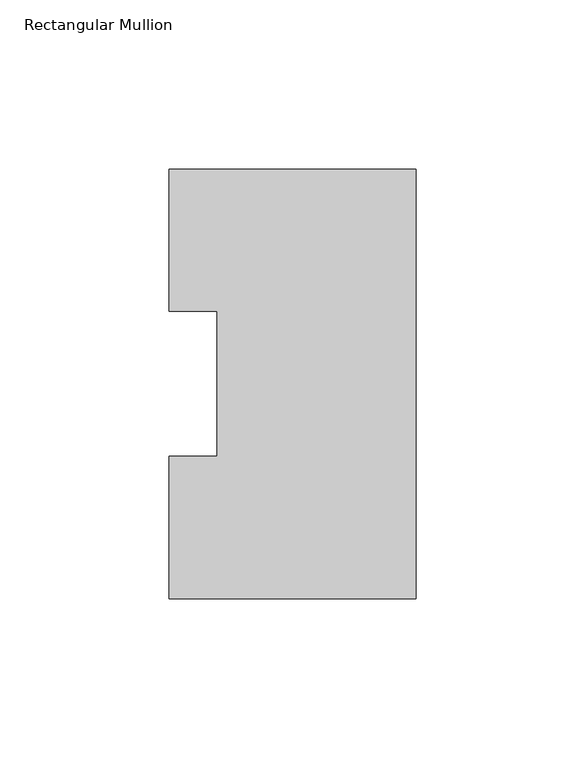
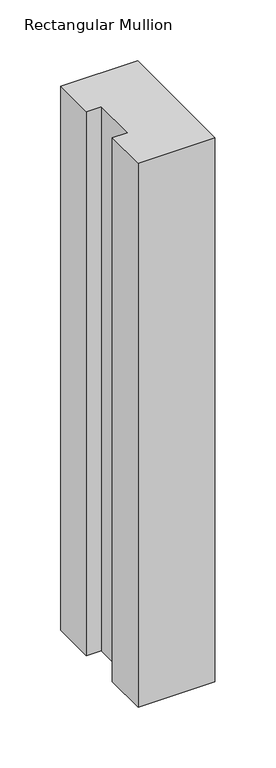
"""IFC4 building model written with IfcOpenShell, lengths in millimetres: member geometry, Rectangular Mullion."""

import ifcopenshell
import ifcopenshell.guid

model = None  # the IFC model being written
_history = None  # IfcOwnerHistory: only IFC2X3 demands one
_inside = {}  # id of a spatial element -> (the spatial element, [elements in it])
_under = {}  # id of a project, library or spatial element -> (it, [spatial elements below it])
_declared = {}  # id of a project -> (the project, [libraries it declares])
_typed = {}  # id of a type object -> (the type object, [elements of that type])
_made_of = {}  # id of a material, layer set ... -> (it, [elements and type objects made of it])


def new_model(schema):
    """Start an empty IFC model of exactly this schema.

    Asked for "IFC4X3", IfcOpenShell would pick the latest addendum, in which some entities
    have other attributes; the version numbers below select the first issue.
    IFC2X3 requires an IfcOwnerHistory on every rooted entity: one is made here for all.
    """
    global model, _history
    if schema == "IFC4X3":
        model = ifcopenshell.file(schema_version=(4, 3, 0, 0))
    else:
        model = ifcopenshell.file(schema=schema)
    _inside.clear()
    _under.clear()
    _declared.clear()
    _typed.clear()
    _made_of.clear()
    _history = None
    if model.schema == "IFC2X3":
        org = make("IfcOrganization", Name="unknown")
        user = make(
            "IfcPersonAndOrganization",
            ThePerson=make("IfcPerson", FamilyName="unknown"),
            TheOrganization=org,
        )
        app = make(
            "IfcApplication",
            ApplicationDeveloper=org,
            Version="unknown",
            ApplicationFullName="unknown",
            ApplicationIdentifier="unknown",
        )
        _history = make(
            "IfcOwnerHistory",
            OwningUser=user,
            OwningApplication=app,
            ChangeAction="ADDED",
            CreationDate=0,
        )
    return model


def make(cls, **values):
    """One entity of the class cls with the attributes given. An attribute that is None is left unset."""
    return model.create_entity(
        cls, **{name: value for name, value in values.items() if value is not None}
    )


def rooted(cls, **values):
    """An entity with a GlobalId (a new one), such as an element, a storey or a relation."""
    return make(cls, GlobalId=ifcopenshell.guid.new(), OwnerHistory=_history, **values)


def si_unit(unit_type, name, prefix=None):
    """IfcSIUnit, for example si_unit("LENGTHUNIT", "METRE", prefix="MILLI")."""
    return make("IfcSIUnit", UnitType=unit_type, Prefix=prefix, Name=name)


def assignment(units):
    """IfcUnitAssignment: the units of a project."""
    return None if units is None else make("IfcUnitAssignment", Units=units)


def point(xyz):
    """IfcCartesianPoint."""
    return None if xyz is None else make("IfcCartesianPoint", Coordinates=xyz)


def direction(xyz):
    """IfcDirection."""
    return None if xyz is None else make("IfcDirection", DirectionRatios=xyz)


def frame(location, z_axis=None, x_axis=None):
    """IfcAxis2Placement3D, a coordinate frame: its origin and axes. An axis left out is left unset."""
    return make(
        "IfcAxis2Placement3D",
        Location=point(location),
        Axis=direction(z_axis),
        RefDirection=direction(x_axis),
    )


def origin():
    """The frame at (0, 0, 0) with its axes left unset."""
    return frame((0.0, 0.0, 0.0))


def place(relative_to, where):
    """IfcLocalPlacement: puts the frame where relative to a parent placement (None: the world)."""
    return make(
        "IfcLocalPlacement", PlacementRelTo=relative_to, RelativePlacement=where
    )


def context(
    kind, dimensions, precision=None, world=None, true_north=None, identifier=None
):
    """IfcGeometricRepresentationContext, for example the 3D "Model" context."""
    return make(
        "IfcGeometricRepresentationContext",
        ContextIdentifier=identifier,
        ContextType=kind,
        CoordinateSpaceDimension=dimensions,
        Precision=precision,
        WorldCoordinateSystem=world,
        TrueNorth=true_north,
    )


def project(units=None, contexts=None):
    """IfcProject with its units and contexts."""
    return rooted(
        "IfcProject",
        Name="project",
        RepresentationContexts=contexts,
        UnitsInContext=assignment(units),
    )


def spatial(cls, under=None, at=None, **own):
    """A site, building, storey or space (cls), placed at a placement, below another one or the project."""
    s = rooted(cls, ObjectPlacement=at, **own)
    if under is not None:
        _under.setdefault(under.id(), (under, []))[1].append(s)
    return s


def polyline(points):
    """IfcPolyline through the points."""
    return make("IfcPolyline", Points=[point(p) for p in points])


def outline(outer, holes=None, kind="AREA"):
    """IfcArbitraryClosedProfileDef: a profile drawn as a closed curve; with holes, ...WithVoids."""
    if holes is None:
        return make("IfcArbitraryClosedProfileDef", ProfileType=kind, OuterCurve=outer)
    return make(
        "IfcArbitraryProfileDefWithVoids",
        ProfileType=kind,
        OuterCurve=outer,
        InnerCurves=holes,
    )


def extrude(swept, where, along, depth):
    """IfcExtrudedAreaSolid: the profile swept, set in the frame where, extruded along a direction by depth."""
    return make(
        "IfcExtrudedAreaSolid",
        SweptArea=swept,
        Position=where,
        ExtrudedDirection=direction(along),
        Depth=depth,
    )


def shape(context_of_items, identifier, shape_type, items):
    """IfcShapeRepresentation: the items that make up one representation, for example the "Body"."""
    return make(
        "IfcShapeRepresentation",
        ContextOfItems=context_of_items,
        RepresentationIdentifier=identifier,
        RepresentationType=shape_type,
        Items=items,
    )


def source(mapping_origin, context_of_items, identifier, shape_type, items):
    """IfcRepresentationMap: a shape defined once, which mapped items show again and again."""
    return make(
        "IfcRepresentationMap",
        MappingOrigin=mapping_origin,
        MappedRepresentation=shape(context_of_items, identifier, shape_type, items),
    )


def transform(
    local_origin,
    x_axis=None,
    y_axis=None,
    z_axis=None,
    scale=None,
    scale2=None,
    scale3=None,
    uniform=True,
):
    """IfcCartesianTransformationOperator3D, or its non-uniform kind. x_axis, y_axis, z_axis: its Axis1, 2, 3."""
    if uniform:
        return make(
            "IfcCartesianTransformationOperator3D",
            Axis1=direction(x_axis),
            Axis2=direction(y_axis),
            LocalOrigin=point(local_origin),
            Scale=scale,
            Axis3=direction(z_axis),
        )
    return make(
        "IfcCartesianTransformationOperator3DnonUniform",
        Axis1=direction(x_axis),
        Axis2=direction(y_axis),
        LocalOrigin=point(local_origin),
        Scale=scale,
        Axis3=direction(z_axis),
        Scale2=scale2,
        Scale3=scale3,
    )


def mapped(mapping_source, mapping_target):
    """IfcMappedItem: shows the shape of a source again, moved by a transform."""
    return make(
        "IfcMappedItem", MappingSource=mapping_source, MappingTarget=mapping_target
    )


def made_of(thing, what):
    """Note that an element or type object is made of a material, layer set ...; save() writes the relation."""
    if what is not None:
        _made_of.setdefault(what.id(), (what, []))[1].append(thing)
    return thing


def element(
    cls,
    number,
    at=None,
    inside=None,
    cuts=None,
    type_object=None,
    material=None,
    context=None,
    identifier="Body",
    shape_type=None,
    held_by="IfcProductDefinitionShape",
    body=None,
    shapes=None,
    **own,
):
    """One element of the class cls, such as IfcWall. Its Tag is "e" and its number.

    at: its placement. inside: the storey or other place that contains it. cuts: it is an
    opening in that element (IfcRelVoidsElement). A single representation is given by context,
    identifier, shape_type and body (its items); several are given by shapes. held_by: the class
    of the entity that holds the representations. save() writes the other relations.
    """
    e = rooted(cls, Tag="e%d" % number, ObjectPlacement=at, **own)
    if body is not None:
        shapes = [shape(context, identifier, shape_type, body)]
    if shapes is not None:
        e.Representation = make(held_by, Representations=shapes)
    if inside is not None:
        _inside.setdefault(inside.id(), (inside, []))[1].append(e)
    if cuts is not None:
        rooted(
            "IfcRelVoidsElement", RelatingBuildingElement=cuts, RelatedOpeningElement=e
        )
    if type_object is not None:
        _typed.setdefault(type_object.id(), (type_object, []))[1].append(e)
    return made_of(e, material)


def aggregate(whole, parts):
    """IfcRelAggregates: a whole, such as a stair, and the parts it consists of."""
    return rooted("IfcRelAggregates", RelatingObject=whole, RelatedObjects=parts)


def save(model, path):
    """Write the relations noted so far, then the file.

    IfcRelAggregates (storeys below a building ...), IfcRelContainedInSpatialStructure (elements
    in a storey), IfcRelDefinesByType, IfcRelAssociatesMaterial and IfcRelDeclares: one each for
    every whole, place, type object, material and project.
    """
    for whole, parts in _under.values():
        aggregate(whole, parts)
    for where, things in _inside.values():
        rooted(
            "IfcRelContainedInSpatialStructure",
            RelatedElements=things,
            RelatingStructure=where,
        )
    for kind, things in _typed.values():
        rooted("IfcRelDefinesByType", RelatedObjects=things, RelatingType=kind)
    for what, things in _made_of.values():
        rooted("IfcRelAssociatesMaterial", RelatedObjects=things, RelatingMaterial=what)
    for by, libraries in _declared.values():
        rooted("IfcRelDeclares", RelatingContext=by, RelatedDefinitions=libraries)
    model.write(path)


def rectangular_mullion_9d581a24(model_context):
    return source(origin(), model_context, "Body", "SweptSolid", [
        extrude(outline(polyline([(0.0, 127.00635), (0.0, 0.00635), (-73.025, 0.00635), (-73.025, 42.08145), (-58.7375, 42.08145), (-58.7375, 84.93125), (-73.025, 84.93125), (-73.025, 127.00635), (0.0, 127.00635)])), frame((0.0, 0.0, -546.1), z_axis=(0.0, 0.0, 1.0), x_axis=(1.0, 0.0, 0.0)), (0.0, 0.0, 1.0), 546.1),
    ])


if __name__ == "__main__":
    model = new_model("IFC4")
    model_context = context("Model", 3, world=origin())
    ifc_project = project(units=[si_unit("LENGTHUNIT", "METRE", prefix="MILLI")], contexts=[model_context])
    site = spatial("IfcSite", under=ifc_project)
    building = spatial("IfcBuilding", under=site)
    placement = place(None, origin())
    rectangular_mullion_shape = rectangular_mullion_9d581a24(model_context)
    element("IfcMember", 1, ObjectType="Rectangular Mullion", at=placement, inside=building, context=model_context, shape_type="MappedRepresentation", body=[
        mapped(rectangular_mullion_shape, transform((0.0, 0.0, 0.0), x_axis=(1.0, 0.0, 0.0), y_axis=(0.0, 1.0, 0.0), z_axis=(0.0, 0.0, 1.0))),
    ])
    save(model, "model.ifc")
